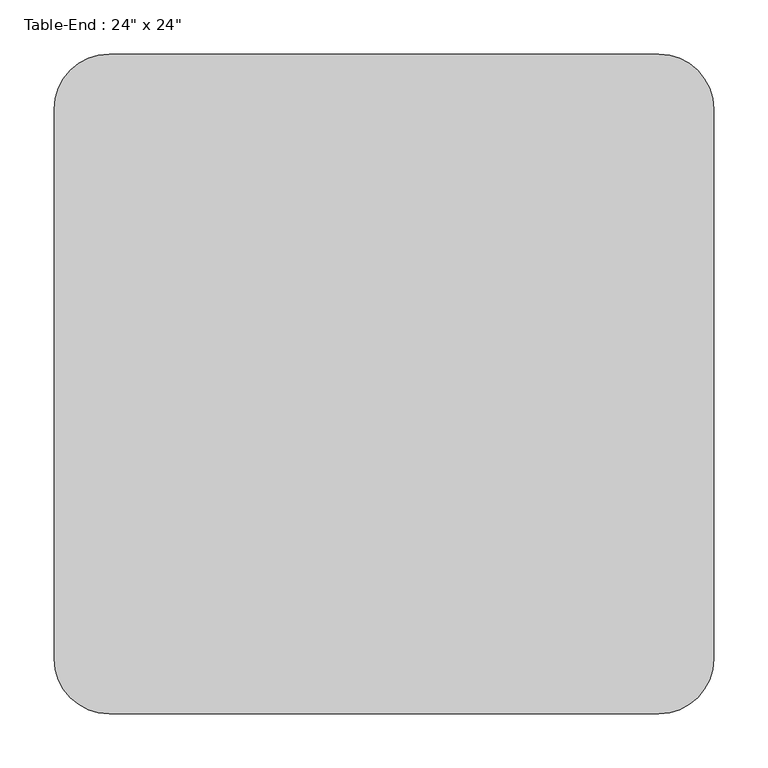
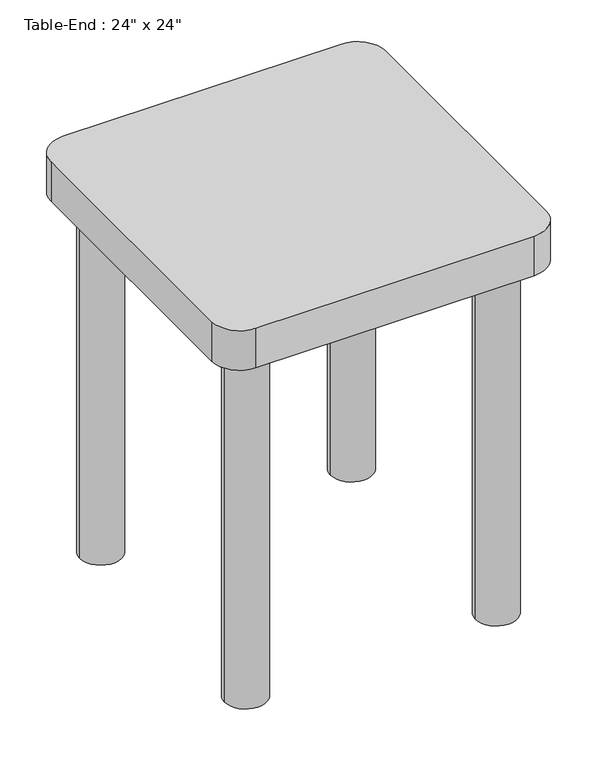
"""IFC4 building model written with IfcOpenShell, lengths in millimetres: furniture geometry."""

from ifc_helpers import new_model, si_unit, point, frame, frame_2d, origin, origin_with_axes, place, context, project, spatial, polyline, circle_curve, trimmed, segment, composite_curve, outline, extrude, source, transform, mapped, element, save


def furniture_bcf351fa(model_context):
    return source(origin(), model_context, "Body", "SweptSolid", [
        extrude(outline(composite_curve([segment(polyline([(562.5336303, -152.4), (54.5336303, -152.4)]), True, "CONTINUOUS"), segment(trimmed(circle_curve(frame_2d((54.5336303, -101.6)), 50.8), [point((54.5336303, -152.4))], [point((3.7336303, -101.6))], False, "CARTESIAN"), True, "CONTINUOUS"), segment(polyline([(3.7336303, -101.6), (3.7336303, 406.4)]), True, "CONTINUOUS"), segment(trimmed(circle_curve(frame_2d((54.5336303, 406.4)), 50.8), [point((3.7336303, 406.4))], [point((54.5336303, 457.2))], False, "CARTESIAN"), True, "CONTINUOUS"), segment(polyline([(54.5336303, 457.2), (562.5336303, 457.2)]), True, "CONTINUOUS"), segment(trimmed(circle_curve(frame_2d((562.5336303, 406.4)), 50.8), [point((562.5336303, 457.2))], [point((613.3336303, 406.4))], False, "CARTESIAN"), True, "CONTINUOUS"), segment(polyline([(613.3336303, 406.4), (613.3336303, -101.6)]), True, "CONTINUOUS"), segment(trimmed(circle_curve(frame_2d((562.5336303, -101.6)), 50.8), [point((613.3336303, -101.6))], [point((562.5336303, -152.4))], False, "CARTESIAN"), True, "CONTINUOUS")], self_intersect=False)), frame((0.0, 0.0, 685.8), z_axis=(0.0, 0.0, 1.0), x_axis=(1.0, 0.0, 0.0)), (0.0, 0.0, 1.0), 76.2),
        extrude(outline(composite_curve([segment(trimmed(circle_curve(frame_2d((79.9336303, 381.0)), 38.1), [point((41.8336303, 381.0))], [point((118.0336303, 381.0))], False, "CARTESIAN"), True, "CONTINUOUS"), segment(trimmed(circle_curve(frame_2d((79.9336303, 381.0)), 38.1), [point((118.0336303, 381.0))], [point((41.8336303, 381.0))], False, "CARTESIAN"), True, "CONTINUOUS")], self_intersect=False)), origin_with_axes(), (0.0, 0.0, 1.0), 685.8),
        extrude(outline(composite_curve([segment(trimmed(circle_curve(frame_2d((79.9336303, -76.2)), 38.1), [point((41.8336303, -76.2))], [point((118.0336303, -76.2))], False, "CARTESIAN"), True, "CONTINUOUS"), segment(trimmed(circle_curve(frame_2d((79.9336303, -76.2)), 38.1), [point((118.0336303, -76.2))], [point((41.8336303, -76.2))], False, "CARTESIAN"), True, "CONTINUOUS")], self_intersect=False)), origin_with_axes(), (0.0, 0.0, 1.0), 685.8),
        extrude(outline(composite_curve([segment(trimmed(circle_curve(frame_2d((537.1336303, -76.2)), 38.1), [point((499.0336303, -76.2))], [point((575.2336303, -76.2))], False, "CARTESIAN"), True, "CONTINUOUS"), segment(trimmed(circle_curve(frame_2d((537.1336303, -76.2)), 38.1), [point((575.2336303, -76.2))], [point((499.0336303, -76.2))], False, "CARTESIAN"), True, "CONTINUOUS")], self_intersect=False)), origin_with_axes(), (0.0, 0.0, 1.0), 685.8),
        extrude(outline(composite_curve([segment(trimmed(circle_curve(frame_2d((537.1336303, 381.0)), 38.1), [point((499.0336303, 381.0))], [point((575.2336303, 381.0))], False, "CARTESIAN"), True, "CONTINUOUS"), segment(trimmed(circle_curve(frame_2d((537.1336303, 381.0)), 38.1), [point((575.2336303, 381.0))], [point((499.0336303, 381.0))], False, "CARTESIAN"), True, "CONTINUOUS")], self_intersect=False)), origin_with_axes(), (0.0, 0.0, 1.0), 685.8),
    ])


if __name__ == "__main__":
    model = new_model("IFC4")
    model_context = context("Model", 3, world=origin())
    ifc_project = project(units=[si_unit("LENGTHUNIT", "METRE", prefix="MILLI")], contexts=[model_context])
    site = spatial("IfcSite", under=ifc_project)
    building = spatial("IfcBuilding", under=site)
    placement = place(None, origin())
    furniture_shape = furniture_bcf351fa(model_context)
    element("IfcFurniture", 1, ObjectType="Table-End : 24\" x 24\"", at=placement, inside=building, context=model_context, shape_type="MappedRepresentation", body=[
        mapped(furniture_shape, transform((0.0, 0.0, 0.0), x_axis=(1.0, 0.0, 0.0), y_axis=(0.0, 1.0, 0.0), z_axis=(0.0, 0.0, 1.0))),
    ])
    save(model, "model.ifc")
